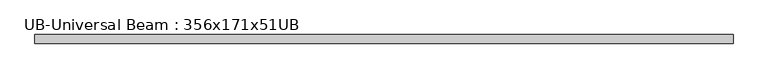
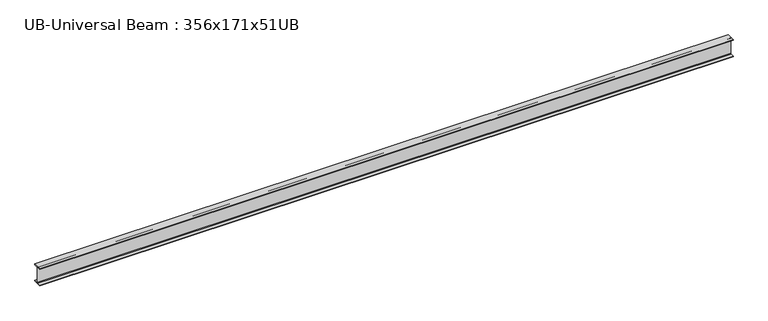
"""IFC4 building model written with IfcOpenShell, lengths in millimetres: beam geometry, UB-Universal Beam : 356x171x51UB."""

from ifc_helpers import new_model, si_unit, point, frame, frame_2d, origin, place, context, project, spatial, polyline, circle_curve, trimmed, segment, composite_curve, outline, extrude, source, transform, mapped, element, save


def ub_universal_beam_356x171x51ub_56a35a40(model_context):
    return source(origin(), model_context, "Body", "SweptSolid", [
        extrude(outline(composite_curve([segment(polyline([(85.75, -166.0), (85.75, -177.5), (-85.75, -177.5), (-85.75, -166.0), (-13.9, -166.0)]), True, "CONTINUOUS"), segment(trimmed(circle_curve(frame_2d((-13.9, -155.8)), 10.2), [point((-13.9, -166.0))], [point((-3.7, -155.8))], True, "CARTESIAN"), True, "CONTINUOUS"), segment(polyline([(-3.7, -155.8), (-3.7, 155.8)]), True, "CONTINUOUS"), segment(trimmed(circle_curve(frame_2d((-13.9, 155.8)), 10.2), [point((-3.7, 155.8))], [point((-13.9, 166.0))], True, "CARTESIAN"), True, "CONTINUOUS"), segment(polyline([(-13.9, 166.0), (-85.75, 166.0), (-85.75, 177.5), (85.75, 177.5), (85.75, 166.0), (13.9, 166.0)]), True, "CONTINUOUS"), segment(trimmed(circle_curve(frame_2d((13.9, 155.8)), 10.2), [point((13.9, 166.0))], [point((3.7, 155.8))], True, "CARTESIAN"), True, "CONTINUOUS"), segment(polyline([(3.7, 155.8), (3.7, -155.8)]), True, "CONTINUOUS"), segment(trimmed(circle_curve(frame_2d((13.9, -155.8)), 10.2), [point((3.7, -155.8))], [point((13.9, -166.0))], True, "CARTESIAN"), True, "CONTINUOUS"), segment(polyline([(13.9, -166.0), (85.75, -166.0)]), True, "CONTINUOUS")], self_intersect=False)), frame((-6924.8289153, 0.0, 0.0), z_axis=(1.0, 0.0, 0.0), x_axis=(0.0, 1.0, 0.0)), (0.0, 0.0, 1.0), 13849.6578305),
    ])


if __name__ == "__main__":
    model = new_model("IFC4")
    model_context = context("Model", 3, world=origin())
    ifc_project = project(units=[si_unit("LENGTHUNIT", "METRE", prefix="MILLI")], contexts=[model_context])
    site = spatial("IfcSite", under=ifc_project)
    building = spatial("IfcBuilding", under=site)
    placement = place(None, origin())
    ub_universal_beam_356x171x51ub_shape = ub_universal_beam_356x171x51ub_56a35a40(model_context)
    element("IfcBeam", 1, ObjectType="UB-Universal Beam : 356x171x51UB", at=placement, inside=building, context=model_context, shape_type="MappedRepresentation", body=[
        mapped(ub_universal_beam_356x171x51ub_shape, transform((0.0, 0.0, 0.0), x_axis=(1.0, 0.0, 0.0), y_axis=(0.0, 1.0, 0.0), z_axis=(0.0, 0.0, 1.0))),
    ])
    save(model, "model.ifc")
